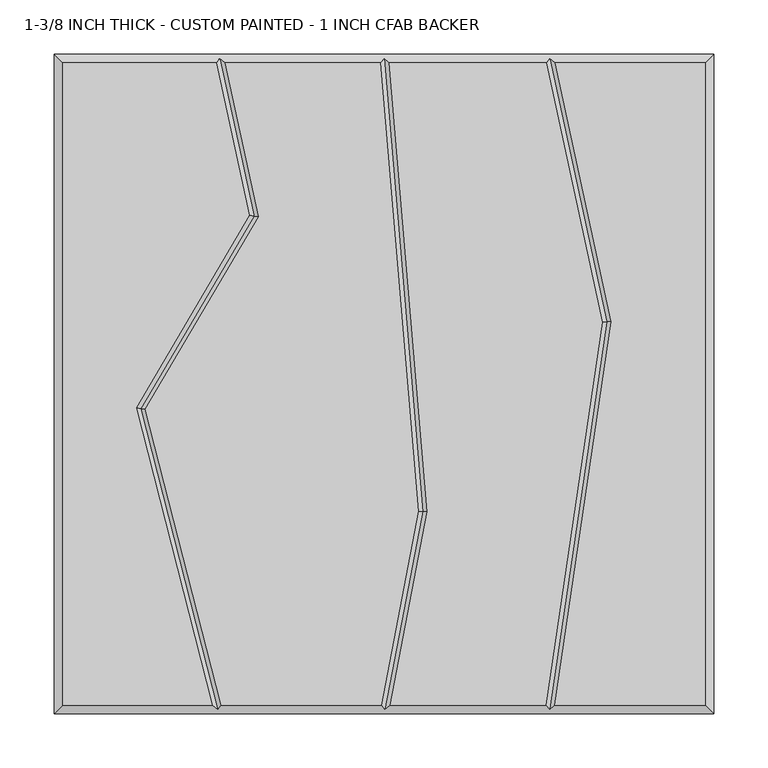
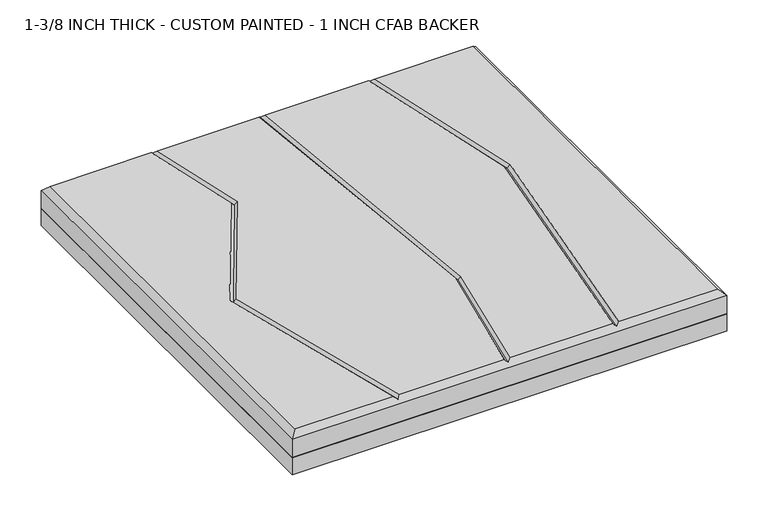
"""IFC4 building model written with IfcOpenShell, lengths in millimetres: proxy geometry, 1-3/8 INCH THICK - CUSTOM PAINTED - 1 INCH CFAB BACKER."""

from ifc_helpers import new_model, si_unit, frame, origin, place, context, project, spatial, polyline, outline, extrude, faceted_brep, source, transform, mapped, element, save


def proxy_1_3_8_inch_thick_custom_painted_1_inch_cfab_backer_8e4ca558(model_context):
    return source(origin(), model_context, "Body", "SolidModel", [
        extrude(outline(polyline([(-304.8, 304.8), (304.8, 304.8), (304.8, -304.8), (-304.8, -304.8), (-304.8, 304.8)])), frame((0.0, 0.0, -25.4), z_axis=(0.0, 0.0, 1.0), x_axis=(1.0, 0.0, 0.0)), (0.0, 0.0, 1.0), 25.4),
        faceted_brep([(-296.799, 296.799, 34.925), (-296.799, -296.799, 34.925), (-158.5803507, -296.799, 34.925), (-228.9486116, -22.1618467, 34.925), (-124.326786, 155.8449273, 34.925), (-154.765405, 296.799, 34.925), (296.799, -296.799, 34.925), (296.799, 296.799, 34.925), (158.2217247, 296.799, 34.925), (209.9251981, 57.4644259, 34.925), (157.6255242, -296.799, 34.925), (-220.3791386, -23.3717887, 34.925), (-150.3208923, -296.799, 34.925), (-2.5427901, -296.799, 34.925), (31.7252909, -117.6291285, 34.925), (-3.3378716, 296.799, 34.925), (-146.5799748, 296.799, 34.925), (-115.8470875, 154.4822402, 34.925), (39.7905877, -118.051219, 34.925), (5.6032358, -296.799, 34.925), (149.5378056, -296.799, 34.925), (201.7977561, 57.1953504, 34.925), (150.0361542, 296.799, 34.925), (4.6917137, 296.799, 34.925), (-304.8, 304.8, 0.0), (304.8, 304.8, 0.0), (304.8, -304.8, 0.0), (-304.8, -304.8, 0.0), (-304.8, -304.8, 26.924), (-304.8, 304.8, 26.924), (304.8, -304.8, 26.924), (304.8, 304.8, 26.924), (-151.5365862, 300.7995, 30.9245), (0.3384542, 300.7995, 30.9245), (153.264711, 300.7995, 30.9245), (152.9910738, -300.7995, 30.9245), (0.7650861, -300.7995, 30.9245), (-153.4256028, -300.7995, 30.9245), (-224.6638751, -22.7668177, 30.9245), (-120.0869367, 155.1635838, 30.9245), (35.7579393, -117.8401737, 30.9245), (205.8614771, 57.3298882, 30.9245)], [[[0, 1, 2, 3, 4, 5]], [[6, 7, 8, 9, 10]], [[11, 12, 13, 14, 15, 16, 17]], [[18, 19, 20, 21, 22, 23]], [[24, 25, 26, 27]], [[24, 27, 28, 29]], [[27, 26, 30, 28]], [[26, 25, 31, 30]], [[25, 24, 29, 31]], [[29, 0, 5, 32, 16, 15, 33, 23, 22, 34, 8, 7, 31]], [[0, 29, 28, 1]], [[1, 28, 30, 6, 10, 35, 20, 19, 36, 13, 12, 37, 2]], [[31, 7, 6, 30]], [[38, 3, 2, 37]], [[11, 38, 37, 12]], [[3, 38, 39, 4]], [[38, 11, 17, 39]], [[4, 39, 32, 5]], [[39, 17, 16, 32]], [[40, 14, 13, 36]], [[18, 40, 36, 19]], [[14, 40, 33, 15]], [[40, 18, 23, 33]], [[41, 21, 20, 35]], [[9, 41, 35, 10]], [[21, 41, 34, 22]], [[41, 9, 8, 34]]]),
    ])


if __name__ == "__main__":
    model = new_model("IFC4")
    model_context = context("Model", 3, world=origin())
    ifc_project = project(units=[si_unit("LENGTHUNIT", "METRE", prefix="MILLI")], contexts=[model_context])
    site = spatial("IfcSite", under=ifc_project)
    building = spatial("IfcBuilding", under=site)
    placement = place(None, origin())
    proxy_1_3_8_inch_thick_custom_painted_1_inch_cfab_backer_shape = proxy_1_3_8_inch_thick_custom_painted_1_inch_cfab_backer_8e4ca558(model_context)
    element("IfcBuildingElementProxy", 1, Name="1-3/8 INCH THICK - CUSTOM PAINTED - 1 INCH CFAB BACKER", ObjectType="1-3/8 INCH THICK - CUSTOM PAINTED - 1 INCH CFAB BACKER", at=placement, inside=building, context=model_context, shape_type="MappedRepresentation", body=[
        mapped(proxy_1_3_8_inch_thick_custom_painted_1_inch_cfab_backer_shape, transform((0.0, 0.0, 0.0), x_axis=(1.0, 0.0, 0.0), y_axis=(0.0, 1.0, 0.0), z_axis=(0.0, 0.0, 1.0))),
    ])
    save(model, "model.ifc")
